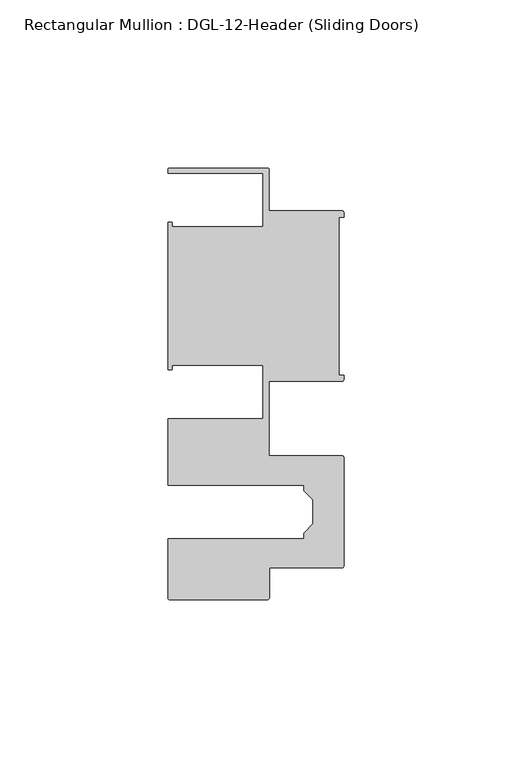
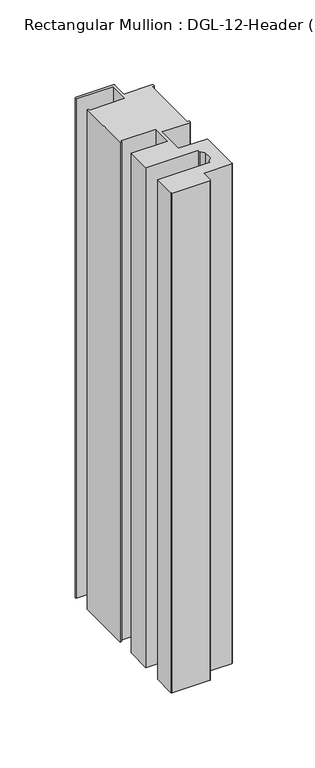
"""IFC4 building model written with IfcOpenShell, lengths in millimetres: member geometry, Rectangular Mullion : DGL-12-Header (Sliding Doors)."""

from ifc_helpers import new_model, si_unit, point, frame, frame_2d, origin, place, context, project, spatial, polyline, circle_curve, trimmed, segment, composite_curve, outline, extrude, source, transform, mapped, element, save


def rectangular_mullion_dgl_12_header_sliding_doors_03be3979(model_context):
    return source(origin(), model_context, "Body", "SweptSolid", [
        extrude(outline(composite_curve([segment(trimmed(circle_curve(frame_2d((-0.5953125, 24.8046875)), 0.5953125), [point((-0.5953125, 25.4))], [point((0.0, 24.8046875))], False, "CARTESIAN"), True, "CONTINUOUS"), segment(polyline([(0.0, 24.8046875), (0.0, 23.488176), (-1.5001875, 23.488176), (-1.5001875, -23.488176), (0.0, -23.488176), (0.0, -24.8046875)]), True, "CONTINUOUS"), segment(trimmed(circle_curve(frame_2d((-0.5953125, -24.8046875)), 0.5953125), [point((0.0, -24.8046875))], [point((-0.5953125, -25.4))], False, "CARTESIAN"), True, "CONTINUOUS"), segment(polyline([(-0.5953125, -25.4), (-22.2332898, -25.4), (-22.2332898, -47.513352), (-0.60357, -47.513352)]), True, "CONTINUOUS"), segment(trimmed(circle_curve(frame_2d((-0.60357, -48.1086645)), 0.5953125), [point((-0.60357, -47.513352))], [point((-0.0082575, -48.1086645))], False, "CARTESIAN"), True, "CONTINUOUS"), segment(polyline([(-0.0082575, -48.1086645), (-0.0082575, -80.2801715)]), True, "CONTINUOUS"), segment(trimmed(circle_curve(frame_2d((-0.60357, -80.2801715)), 0.5953125), [point((-0.0082575, -80.2801715))], [point((-0.60357, -80.875484))], False, "CARTESIAN"), True, "CONTINUOUS"), segment(polyline([(-0.60357, -80.875484), (-22.2032575, -80.875484), (-22.2032575, -89.7299227)]), True, "CONTINUOUS"), segment(trimmed(circle_curve(frame_2d((-22.79857, -89.7299227)), 0.5953125), [point((-22.2032575, -89.7299227))], [point((-22.79857, -90.3252352))], False, "CARTESIAN"), True, "CONTINUOUS"), segment(polyline([(-22.79857, -90.3252352), (-51.7968699, -90.3252352)]), True, "CONTINUOUS"), segment(trimmed(circle_curve(frame_2d((-51.7968699, -89.7299227)), 0.5953125), [point((-51.7968699, -90.3252352))], [point((-52.3921824, -89.7299227))], False, "CARTESIAN"), True, "CONTINUOUS"), segment(polyline([(-52.3921824, -89.7299227), (-52.3921824, -72.175484), (-11.8582575, -72.175484), (-11.8582575, -70.4941892), (-9.1582575, -67.7941892), (-9.1582575, -60.5946468), (-11.8582575, -57.8946468), (-11.8582575, -56.213352), (-52.3921824, -56.213352), (-52.3921824, -36.512516), (-24.0747898, -36.512516), (-24.0747898, -20.5916734), (-51.1362531, -20.5916734), (-51.1362531, -21.9710976), (-52.3921824, -21.9710976), (-52.3921824, 21.9710976), (-51.1362531, 21.9710976), (-51.1362531, 20.5916734), (-24.0747898, 20.5916734), (-24.0747898, 36.512516), (-52.3921824, 36.512516), (-52.3921824, 37.5043667)]), True, "CONTINUOUS"), segment(trimmed(circle_curve(frame_2d((-51.7968699, 37.5043667)), 0.5953125), [point((-52.3921824, 37.5043667))], [point((-51.7968699, 38.0996792))], False, "CARTESIAN"), True, "CONTINUOUS"), segment(polyline([(-51.7968699, 38.0996792), (-22.8286023, 38.0996792)]), True, "CONTINUOUS"), segment(trimmed(circle_curve(frame_2d((-22.8286023, 37.5043667)), 0.5953125), [point((-22.8286023, 38.0996792))], [point((-22.2332898, 37.5043667))], False, "CARTESIAN"), True, "CONTINUOUS"), segment(polyline([(-22.2332898, 37.5043667), (-22.2332898, 25.4), (-0.5953125, 25.4)]), True, "CONTINUOUS")], self_intersect=False)), frame((0.0, 0.0, -406.4), z_axis=(0.0, 0.0, 1.0), x_axis=(1.0, 0.0, 0.0)), (0.0, 0.0, 1.0), 406.4),
    ])


if __name__ == "__main__":
    model = new_model("IFC4")
    model_context = context("Model", 3, world=origin())
    ifc_project = project(units=[si_unit("LENGTHUNIT", "METRE", prefix="MILLI")], contexts=[model_context])
    site = spatial("IfcSite", under=ifc_project)
    building = spatial("IfcBuilding", under=site)
    placement = place(None, origin())
    rectangular_mullion_dgl_12_header_sliding_doors_shape = rectangular_mullion_dgl_12_header_sliding_doors_03be3979(model_context)
    element("IfcMember", 1, ObjectType="Rectangular Mullion : DGL-12-Header (Sliding Doors)", at=placement, inside=building, context=model_context, shape_type="MappedRepresentation", body=[
        mapped(rectangular_mullion_dgl_12_header_sliding_doors_shape, transform((0.0, 0.0, 0.0), x_axis=(1.0, 0.0, 0.0), y_axis=(0.0, 1.0, 0.0), z_axis=(0.0, 0.0, 1.0))),
    ])
    save(model, "model.ifc")
